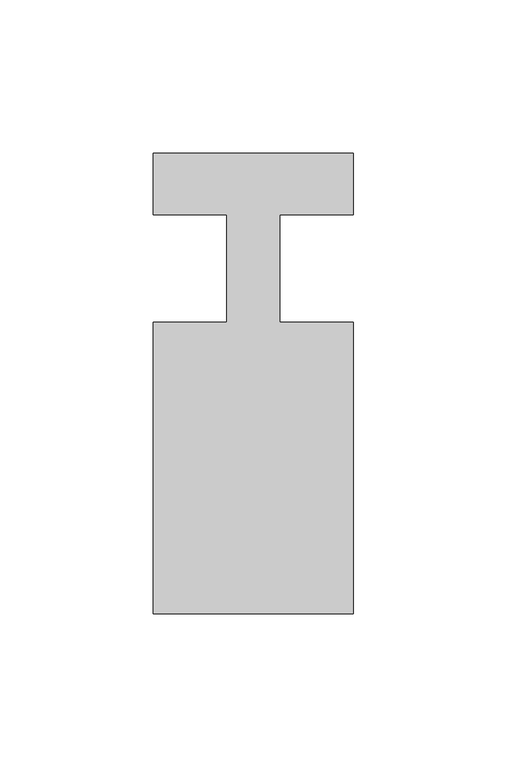
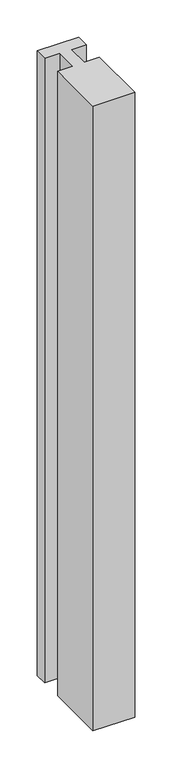
"""IFC4 building model written with IfcOpenShell, lengths in millimetres: member geometry."""

from ifc_helpers import new_model, si_unit, frame, origin, place, context, project, spatial, polyline, outline, extrude, source, transform, mapped, element, save


def member_256ccc07(model_context):
    return source(origin(), model_context, "Body", "SweptSolid", [
        extrude(outline(polyline([(0.0, 37.0), (0.0, 17.0), (-23.8125, 17.0), (-23.8125, -18.0), (0.0, -18.0), (0.0, -113.0), (-65.0, -113.0), (-65.0, -18.0), (-41.1875, -18.0), (-41.1875, 17.0), (-65.0, 17.0), (-65.0, 37.0), (0.0, 37.0)])), frame((0.0, 0.0, -1026.7857143), z_axis=(0.0, 0.0, 1.0), x_axis=(1.0, 0.0, 0.0)), (0.0, 0.0, 1.0), 1026.7857143),
    ])


if __name__ == "__main__":
    model = new_model("IFC4")
    model_context = context("Model", 3, world=origin())
    ifc_project = project(units=[si_unit("LENGTHUNIT", "METRE", prefix="MILLI")], contexts=[model_context])
    site = spatial("IfcSite", under=ifc_project)
    building = spatial("IfcBuilding", under=site)
    placement = place(None, origin())
    member_shape = member_256ccc07(model_context)
    element("IfcMember", 1, at=placement, inside=building, context=model_context, shape_type="MappedRepresentation", body=[
        mapped(member_shape, transform((0.0, 0.0, 0.0), x_axis=(1.0, 0.0, 0.0), y_axis=(0.0, 1.0, 0.0), z_axis=(0.0, 0.0, 1.0))),
    ])
    save(model, "model.ifc")
